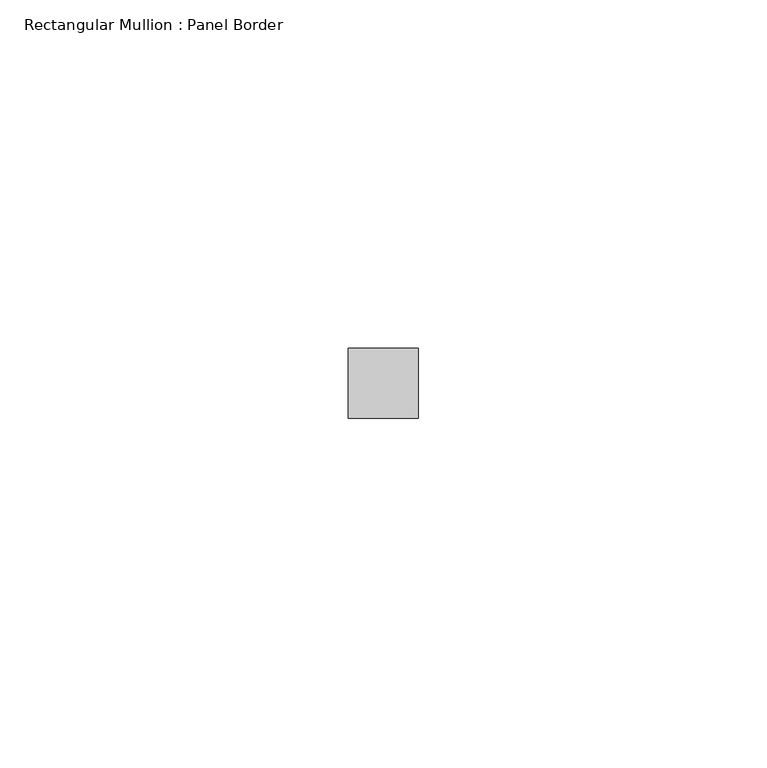
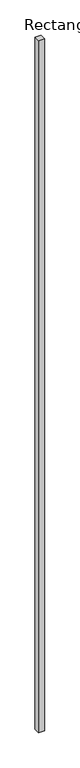
"""IFC4 building model written with IfcOpenShell, lengths in millimetres: member geometry, Rectangular Mullion : Panel Border."""

from ifc_helpers import new_model, si_unit, frame, origin, place, context, project, spatial, polyline, outline, extrude, source, transform, mapped, element, save


def rectangular_mullion_panel_border_c1289176(model_context):
    return source(origin(), model_context, "Body", "SweptSolid", [
        extrude(outline(polyline([(5.0, 5.5), (5.0, -4.5), (-5.0, -4.5), (-5.0, 5.5), (5.0, 5.5)])), frame((0.0, 0.0, -1200.0), z_axis=(0.0, 0.0, 1.0), x_axis=(1.0, 0.0, 0.0)), (0.0, 0.0, 1.0), 1200.0),
    ])


if __name__ == "__main__":
    model = new_model("IFC4")
    model_context = context("Model", 3, world=origin())
    ifc_project = project(units=[si_unit("LENGTHUNIT", "METRE", prefix="MILLI")], contexts=[model_context])
    site = spatial("IfcSite", under=ifc_project)
    building = spatial("IfcBuilding", under=site)
    placement = place(None, origin())
    rectangular_mullion_panel_border_shape = rectangular_mullion_panel_border_c1289176(model_context)
    element("IfcMember", 1, ObjectType="Rectangular Mullion : Panel Border", at=placement, inside=building, context=model_context, shape_type="MappedRepresentation", body=[
        mapped(rectangular_mullion_panel_border_shape, transform((0.0, 0.0, 0.0), x_axis=(1.0, 0.0, 0.0), y_axis=(0.0, 1.0, 0.0), z_axis=(0.0, 0.0, 1.0))),
    ])
    save(model, "model.ifc")
